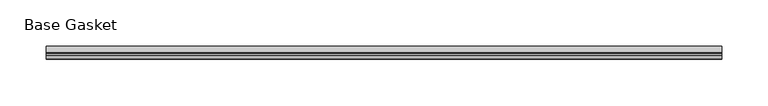
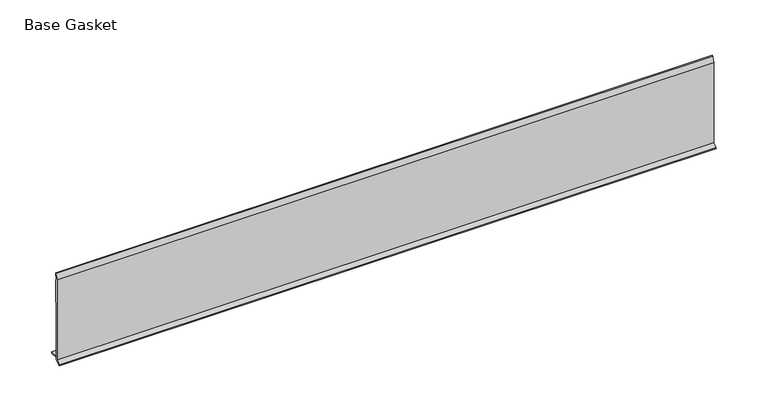
"""IFC4 building model written with IfcOpenShell, lengths in millimetres: furniture geometry, Base Gasket."""

from ifc_helpers import new_model, si_unit, frame, origin, place, context, project, spatial, polyline, outline, extrude, source, transform, mapped, element, save


def base_gasket_f04f0329(model_context):
    return source(origin(), model_context, "Body", "SweptSolid", [
        extrude(outline(polyline([(-3.7283812, 98.4568417), (-1.1891543, 104.587663), (-0.6755308, 105.2002997), (-0.6755308, 104.4162708), (-2.2043812, 98.4568417), (-2.2043812, 96.8693477), (-1.4106313, 96.8693477), (-1.4106313, 71.4693447), (-2.2043812, 71.4693447), (-2.2043812, 7.9398773), (6.2405171, 7.9398773), (6.2405171, 6.3818476), (-2.1334222, 6.3818476), (-2.2043812, 4.3498477), (-6.8281054, 0.3520979), (-7.8482342, 0.0), (-7.4222115, 0.6560174), (-3.7283812, 4.3498477), (-3.7283812, 98.4568417)])), frame((-1527.8982117, 0.0, 0.0), z_axis=(1.0, 0.0, 0.0), x_axis=(0.0, 1.0, 0.0)), (0.0, 0.0, 1.0), 730.25),
    ])


if __name__ == "__main__":
    model = new_model("IFC4")
    model_context = context("Model", 3, world=origin())
    ifc_project = project(units=[si_unit("LENGTHUNIT", "METRE", prefix="MILLI")], contexts=[model_context])
    site = spatial("IfcSite", under=ifc_project)
    building = spatial("IfcBuilding", under=site)
    placement = place(None, origin())
    base_gasket_shape = base_gasket_f04f0329(model_context)
    element("IfcFurniture", 1, ObjectType="Base Gasket", at=placement, inside=building, context=model_context, shape_type="MappedRepresentation", body=[
        mapped(base_gasket_shape, transform((0.0, 0.0, 0.0), x_axis=(1.0, 0.0, 0.0), y_axis=(0.0, 1.0, 0.0), z_axis=(0.0, 0.0, 1.0))),
    ])
    save(model, "model.ifc")
